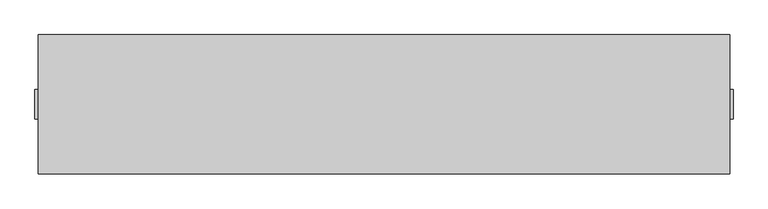
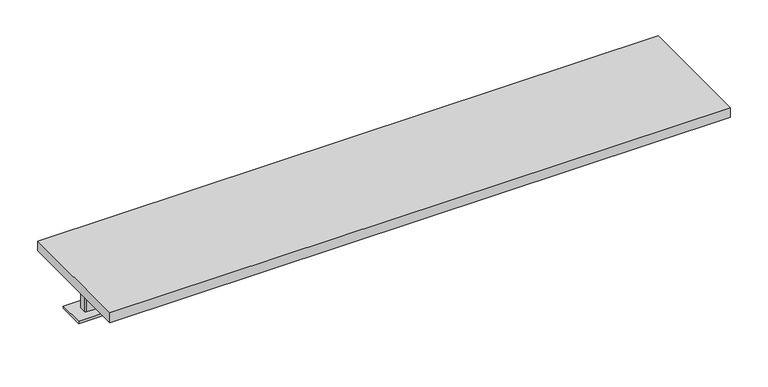
"""IFC4 building model written with IfcOpenShell, lengths in millimetres: furniture geometry."""

from ifc_helpers import new_model, si_unit, frame, origin, place, context, project, spatial, polyline, outline, extrude, source, transform, mapped, element, save


def furniture_8d5c1a6b(model_context):
    return source(origin(), model_context, "Body", "SweptSolid", [
        extrude(outline(polyline([(1159.8275, 406.4), (1159.8275, 41.402), (-651.8275, 41.402), (-651.8275, 406.4), (1159.8275, 406.4)])), frame((0.0, 0.0, 958.14134), z_axis=(0.0, 0.0, 1.0), x_axis=(1.0, 0.0, 0.0)), (0.0, 0.0, 1.0), 29.8704),
        extrude(outline(polyline([(-493.7887, 325.501), (-493.7887, 122.301), (-646.1887, 122.301), (-646.1887, 325.501), (-493.7887, 325.501)])), frame((0.0, 0.0, 953.36614), z_axis=(0.0, 0.0, 1.0), x_axis=(1.0, 0.0, 0.0)), (0.0, 0.0, 1.0), 4.7752),
        extrude(outline(polyline([(1001.7887, 325.501), (1154.1887, 325.501), (1154.1887, 122.301), (1001.7887, 122.301), (1001.7887, 325.501)])), frame((0.0, 0.0, 953.36614), z_axis=(0.0, 0.0, 1.0), x_axis=(1.0, 0.0, 0.0)), (0.0, 0.0, 1.0), 4.7752),
        extrude(outline(polyline([(-625.9703, 214.376), (-625.9703, 233.426), (-622.7953, 236.601), (-587.8703, 236.601), (-584.6953, 233.426), (-584.6953, 214.376), (-587.8703, 211.201), (-622.7953, 211.201), (-625.9703, 214.376)])), frame((0.0, 0.0, 877.824), z_axis=(0.0, 0.0, 1.0), x_axis=(1.0, 0.0, 0.0)), (0.0, 0.0, 1.0), 75.54214),
        extrude(outline(polyline([(1133.9703, 214.376), (1130.7953, 211.201), (1095.8703, 211.201), (1092.6953, 214.376), (1092.6953, 233.426), (1095.8703, 236.601), (1130.7953, 236.601), (1133.9703, 233.426), (1133.9703, 214.376)])), frame((0.0, 0.0, 877.824), z_axis=(0.0, 0.0, 1.0), x_axis=(1.0, 0.0, 0.0)), (0.0, 0.0, 1.0), 75.54214),
        extrude(outline(polyline([(1168.4, 262.636), (1168.4, 185.166), (-660.4, 185.166), (-660.4, 262.636), (1168.4, 262.636)])), frame((0.0, 0.0, 870.966), z_axis=(0.0, 0.0, 1.0), x_axis=(1.0, 0.0, 0.0)), (0.0, 0.0, 1.0), 6.858),
    ])


if __name__ == "__main__":
    model = new_model("IFC4")
    model_context = context("Model", 3, world=origin())
    ifc_project = project(units=[si_unit("LENGTHUNIT", "METRE", prefix="MILLI")], contexts=[model_context])
    site = spatial("IfcSite", under=ifc_project)
    building = spatial("IfcBuilding", under=site)
    placement = place(None, origin())
    furniture_shape = furniture_8d5c1a6b(model_context)
    element("IfcFurniture", 1, at=placement, inside=building, context=model_context, shape_type="MappedRepresentation", body=[
        mapped(furniture_shape, transform((0.0, 0.0, 0.0), x_axis=(1.0, 0.0, 0.0), y_axis=(0.0, 1.0, 0.0), z_axis=(0.0, 0.0, 1.0))),
    ])
    save(model, "model.ifc")
